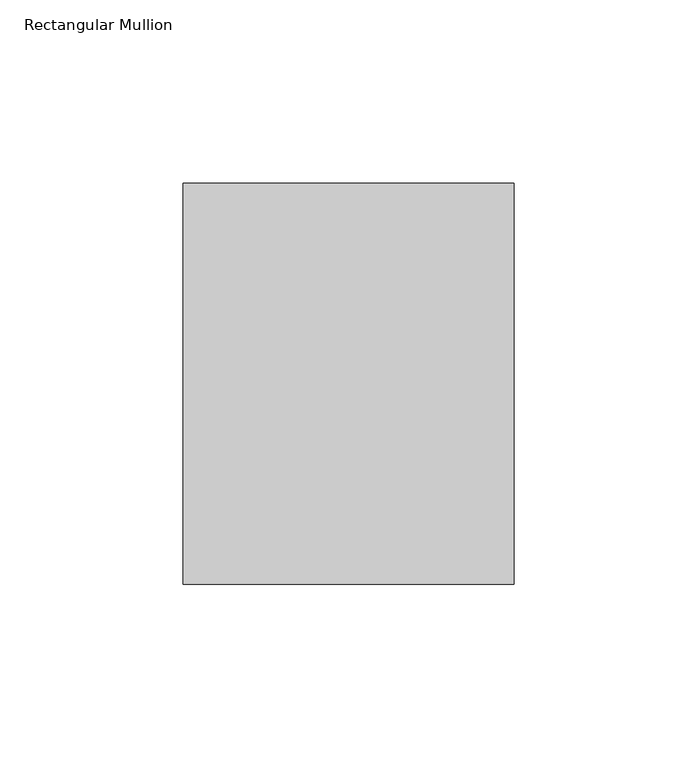
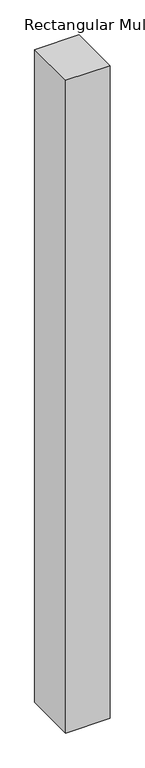
"""IFC4 building model written with IfcOpenShell, lengths in millimetres: member geometry, Rectangular Mullion."""

from ifc_helpers import new_model, si_unit, frame, origin, place, context, project, spatial, polyline, outline, extrude, source, transform, mapped, element, save


def rectangular_mullion_fc4a0b0a(model_context):
    return source(origin(), model_context, "Body", "SweptSolid", [
        extrude(outline(polyline([(45.24375, -76.99375), (-45.24375, -76.99375), (-45.24375, 32.54375), (45.24375, 32.54375), (45.24375, -76.99375)])), frame((0.0, 0.0, -1408.90625), z_axis=(0.0, 0.0, 1.0), x_axis=(1.0, 0.0, 0.0)), (0.0, 0.0, 1.0), 1408.90625),
    ])


if __name__ == "__main__":
    model = new_model("IFC4")
    model_context = context("Model", 3, world=origin())
    ifc_project = project(units=[si_unit("LENGTHUNIT", "METRE", prefix="MILLI")], contexts=[model_context])
    site = spatial("IfcSite", under=ifc_project)
    building = spatial("IfcBuilding", under=site)
    placement = place(None, origin())
    rectangular_mullion_shape = rectangular_mullion_fc4a0b0a(model_context)
    element("IfcMember", 1, ObjectType="Rectangular Mullion", at=placement, inside=building, context=model_context, shape_type="MappedRepresentation", body=[
        mapped(rectangular_mullion_shape, transform((0.0, 0.0, 0.0), x_axis=(1.0, 0.0, 0.0), y_axis=(0.0, 1.0, 0.0), z_axis=(0.0, 0.0, 1.0))),
    ])
    save(model, "model.ifc")
